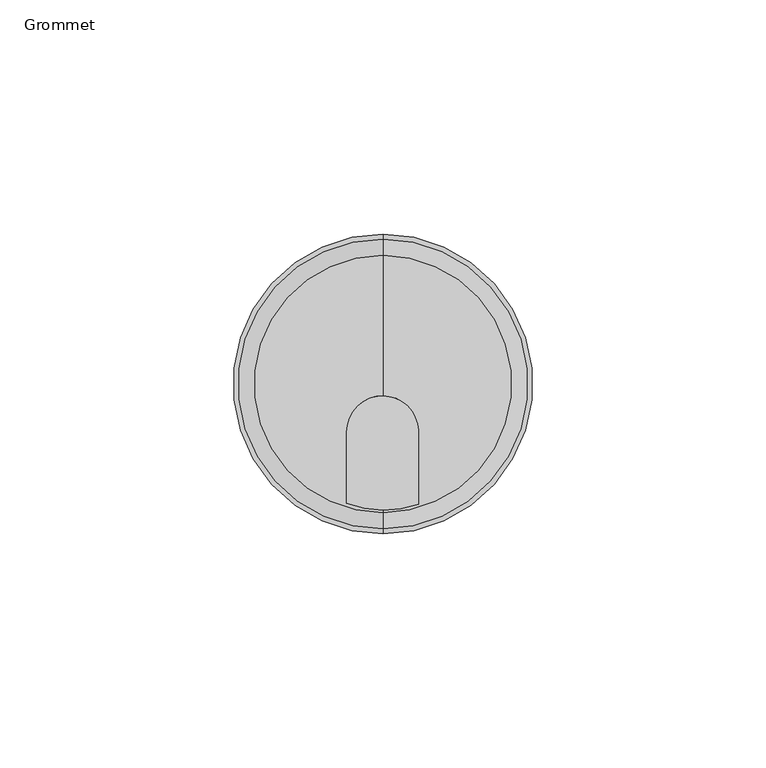
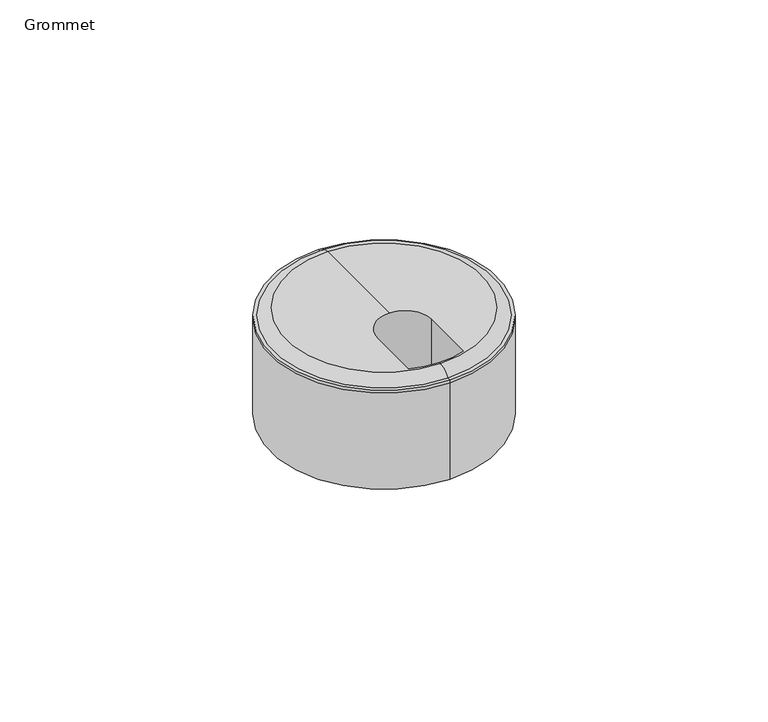
"""IFC4 building model written with IfcOpenShell, lengths in millimetres: furniture geometry, Grommet."""

from ifc_helpers import new_model, si_unit, point, frame, origin, place, context, project, spatial, polyline, circle_curve, ellipse_curve, trimmed, source, transform, mapped, element, save
from ifc_brep_helpers import plane_surface, cylinder_surface, revolved_surface, advanced_brep


def grommet_a7e86c2f(model_context):
    return source(origin(), model_context, "Body", "AdvancedBrep", [
        advanced_brep(
        [(0.0, -649.997562, 742.9236208), (0.0, -704.9237566, 742.9236208), (0.0, -704.4084421, 742.9236208), (-7.8605367, -702.963668, 742.9236208), (-7.8605367, -687.7704103, 742.9236208), (0.0, -679.9843693, 742.9236208), (0.0, -677.4606593, 742.9236208), (7.7015055, -687.3614768, 742.9236208), (7.7015055, -703.1000465, 742.9236208), (0.0, -646.5115685, 740.7497245), (0.0, -708.4097501, 740.7497245), (0.0, -645.4610622, 740.7497245), (0.0, -709.4602564, 740.7497245), (0.0, -645.4610622, 739.9289635), (0.0, -709.4602564, 739.9289635), (0.0, -645.4610622, 711.284709), (0.0, -709.4602564, 711.284709), (0.0, -677.4606593, 711.284709), (-7.8605367, -702.963668, 721.4856865), (7.7015055, -703.1000465, 721.4856865), (7.7015055, -687.3614768, 721.4856865), (-7.8605367, -687.7704103, 721.4856865)],
        [
            (0, 1, circle_curve(frame((0.0, -677.4606593, 742.9236208), z_axis=(0.0, 0.0, 1.0), x_axis=(0.0, -1.0, 0.0)), 27.4630973)),
            (1, 2),
            (2, 3, circle_curve(frame((0.1072585, -681.7192104, 742.9236208), z_axis=(0.0, 0.0, -1.0), x_axis=(1.0, 0.0, 0.0)), 22.6894852)),
            (3, 4),
            (4, 5, circle_curve(frame((-0.0741427, -687.7704103, 742.9236208), z_axis=(0.0, 0.0, -1.0), x_axis=(1.0, 0.0, 0.0)), 7.786394)),
            (5, 6),
            (6, 0),
            (5, 7, circle_curve(frame((-0.0741427, -687.7704103, 742.9236208), z_axis=(0.0, 0.0, -1.0), x_axis=(1.0, 0.0, 0.0)), 7.786394)),
            (7, 8),
            (8, 2, circle_curve(frame((0.1072585, -681.7192104, 742.9236208), z_axis=(0.0, 0.0, -1.0), x_axis=(1.0, 0.0, 0.0)), 22.6894852)),
            (1, 0, circle_curve(frame((0.0, -677.4606593, 742.9236208), z_axis=(0.0, 0.0, 1.0), x_axis=(0.0, -1.0, 0.0)), 27.4630973)),
            (0, 9, circle_curve(frame((0.0, -649.997562, 739.0416565), z_axis=(-1.0, 0.0, 0.0), x_axis=(0.0, 1.0, 0.0)), 3.8819643)),
            (9, 10, circle_curve(frame((0.0, -677.4606593, 740.7497245), z_axis=(0.0, 0.0, 1.0), x_axis=(0.0, -1.0, 0.0)), 30.9490908)),
            (10, 1, circle_curve(frame((0.0, -704.9237566, 739.0416565), z_axis=(-1.0, 0.0, 0.0), x_axis=(0.0, -1.0, 0.0)), 3.8819643)),
            (10, 9, circle_curve(frame((0.0, -677.4606593, 740.7497245), z_axis=(0.0, 0.0, 1.0), x_axis=(0.0, -1.0, 0.0)), 30.9490908)),
            (9, 11),
            (11, 12, circle_curve(frame((0.0, -677.4606593, 740.7497245), z_axis=(0.0, 0.0, 1.0), x_axis=(0.0, -1.0, 0.0)), 31.9995971)),
            (12, 10),
            (12, 11, circle_curve(frame((0.0, -677.4606593, 740.7497245), z_axis=(0.0, 0.0, 1.0), x_axis=(0.0, -1.0, 0.0)), 31.9995971)),
            (11, 13),
            (13, 14, circle_curve(frame((0.0, -677.4606593, 739.9289635), z_axis=(0.0, 0.0, 1.0), x_axis=(0.0, -1.0, 0.0)), 31.9995971)),
            (14, 12),
            (14, 13, circle_curve(frame((0.0, -677.4606593, 739.9289635), z_axis=(0.0, 0.0, 1.0), x_axis=(0.0, -1.0, 0.0)), 31.9995971)),
            (13, 15),
            (15, 16, circle_curve(frame((0.0, -677.4606593, 711.284709), z_axis=(0.0, 0.0, 1.0), x_axis=(0.0, -1.0, 0.0)), 31.9995971)),
            (16, 14),
            (16, 15, circle_curve(frame((0.0, -677.4606593, 711.284709), z_axis=(0.0, 0.0, 1.0), x_axis=(0.0, -1.0, 0.0)), 31.9995971)),
            (15, 17),
            (17, 16),
            (18, 19, circle_curve(frame((0.1072585, -681.7192104, 721.4856865), z_axis=(0.0, 0.0, 1.0), x_axis=(1.0, 0.0, 0.0)), 22.6894852)),
            (19, 20),
            (20, 21, circle_curve(frame((-0.0741427, -687.7704103, 721.4856865), z_axis=(0.0, 0.0, 1.0), x_axis=(1.0, 0.0, 0.0)), 7.786394)),
            (21, 18),
            (19, 8),
            (7, 20),
            (4, 21),
            (3, 18),
        ],
        [
            plane_surface(frame((0.0, -677.4606593, 742.9236208), z_axis=(0.0, 0.0, 1.0), x_axis=(0.0, -1.0, 0.0))),
            revolved_surface(trimmed(ellipse_curve(frame((0.0, -704.9237566, 739.0416565), z_axis=(1.0, 0.0, 0.0), x_axis=(0.0, -1.0, 0.0)), 3.8819643, 3.8819643), [point((0.0, -704.9237566, 742.9236208))], [point((0.0, -708.4097501, 740.7497245))], True, "CARTESIAN"), (0.0, -677.4606593, 742.9236208), (0.0, 0.0, -1.0)),
            plane_surface(frame((0.0, -677.4606593, 740.7497245), z_axis=(0.0, 0.0, 1.0), x_axis=(0.0, -1.0, 0.0))),
            cylinder_surface(frame((0.0, -677.4606593, 742.9236208), z_axis=(0.0, 0.0, -1.0), x_axis=(0.0, -1.0, 0.0)), 31.9995971),
            plane_surface(frame((0.0, -677.4606593, 711.284709), z_axis=(0.0, 0.0, -1.0), x_axis=(0.0, -1.0, 0.0))),
            plane_surface(frame((22.7967437, -681.7192104, 721.4856865), z_axis=(0.0, 0.0, 1.0), x_axis=(0.0, -1.0, 0.0))),
            plane_surface(frame((7.7015055, -703.1000465, 752.140356), z_axis=(-1.0, 0.0, 0.0), x_axis=(0.0, 0.0, -1.0))),
            revolved_surface(polyline([(7.712251299999999, -687.7704103, 742.9236208), (7.712251299999999, -687.7704103, 721.4856865)]), (-0.0741427, -687.7704103, 721.4856865), (0.0, 0.0, 1.0)),
            plane_surface(frame((-7.8605367, -687.7704103, 752.140356), z_axis=(1.0, 0.0, 0.0), x_axis=(0.0, 0.0, -1.0))),
            revolved_surface(polyline([(22.7967437, -681.7192104, 742.9236208), (22.7967437, -681.7192104, 721.4856865)]), (0.1072585, -681.7192104, 721.4856865), (0.0, 0.0, 1.0)),
        ],
        [
            (0, [[1, 2, 3, 4, 5, 6, 7]]),
            (0, [[-7, -6, 8, 9, 10, -2, 11]]),
            (1, [[-1, 12, 13, 14]]),
            (1, [[-11, -14, 15, -12]]),
            (2, [[-13, 16, 17, 18]]),
            (2, [[-15, -18, 19, -16]]),
            (3, [[-17, 20, 21, 22]]),
            (3, [[-19, -22, 23, -20]]),
            (3, [[-21, 24, 25, 26]]),
            (3, [[-23, -26, 27, -24]]),
            (4, [[-25, 28, 29]]),
            (4, [[-27, -29, -28]]),
            (5, [[30, 31, 32, 33]]),
            (6, [[-31, 34, -9, 35]]),
            (7, [[-32, -35, -8, -5, 36]]),
            (8, [[-33, -36, -4, 37]]),
            (9, [[-30, -37, -3, -10, -34]]),
        ],
    ),
    ])


if __name__ == "__main__":
    model = new_model("IFC4")
    model_context = context("Model", 3, world=origin())
    ifc_project = project(units=[si_unit("LENGTHUNIT", "METRE", prefix="MILLI")], contexts=[model_context])
    site = spatial("IfcSite", under=ifc_project)
    building = spatial("IfcBuilding", under=site)
    placement = place(None, origin())
    grommet_shape = grommet_a7e86c2f(model_context)
    element("IfcFurniture", 1, ObjectType="Grommet", at=placement, inside=building, context=model_context, shape_type="MappedRepresentation", body=[
        mapped(grommet_shape, transform((0.0, 0.0, 0.0), x_axis=(1.0, 0.0, 0.0), y_axis=(0.0, 1.0, 0.0), z_axis=(0.0, 0.0, 1.0))),
    ])
    save(model, "model.ifc")
